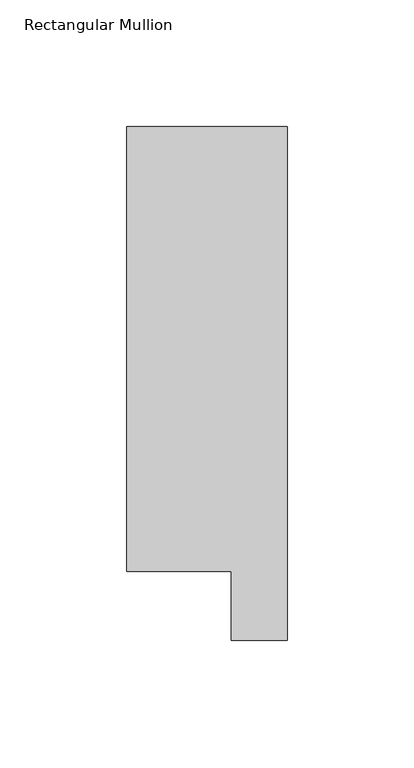
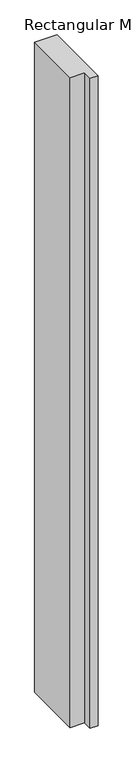
"""IFC4 building model written with IfcOpenShell, lengths in millimetres: member geometry, Rectangular Mullion."""

from ifc_helpers import new_model, si_unit, frame, origin, place, context, project, spatial, polyline, outline, extrude, source, transform, mapped, element, save


def rectangular_mullion_c09b0fa8(model_context):
    return source(origin(), model_context, "Body", "SweptSolid", [
        extrude(outline(polyline([(31.7499998, 222.5381313), (31.7499998, 19.5667313), (9.5377002, 19.5667313), (9.5377002, 46.7447302), (-31.7499998, 46.7447302), (-31.7499998, 222.5381313), (31.7499998, 222.5381313)])), frame((0.0, 0.0, -1965.309436), z_axis=(0.0, 0.0, 1.0), x_axis=(1.0, 0.0, 0.0)), (0.0, 0.0, 1.0), 1965.309436),
    ])


if __name__ == "__main__":
    model = new_model("IFC4")
    model_context = context("Model", 3, world=origin())
    ifc_project = project(units=[si_unit("LENGTHUNIT", "METRE", prefix="MILLI")], contexts=[model_context])
    site = spatial("IfcSite", under=ifc_project)
    building = spatial("IfcBuilding", under=site)
    placement = place(None, origin())
    rectangular_mullion_shape = rectangular_mullion_c09b0fa8(model_context)
    element("IfcMember", 1, ObjectType="Rectangular Mullion", at=placement, inside=building, context=model_context, shape_type="MappedRepresentation", body=[
        mapped(rectangular_mullion_shape, transform((0.0, 0.0, 0.0), x_axis=(1.0, 0.0, 0.0), y_axis=(0.0, 1.0, 0.0), z_axis=(0.0, 0.0, 1.0))),
    ])
    save(model, "model.ifc")
